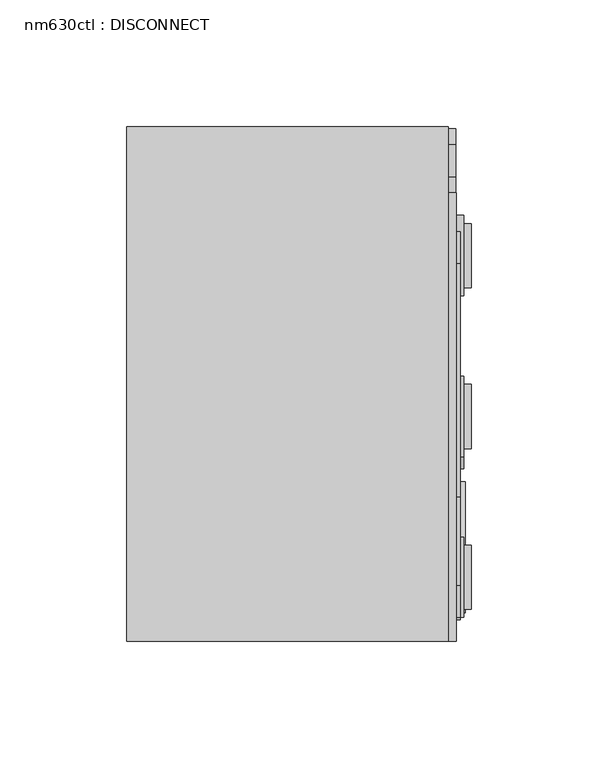
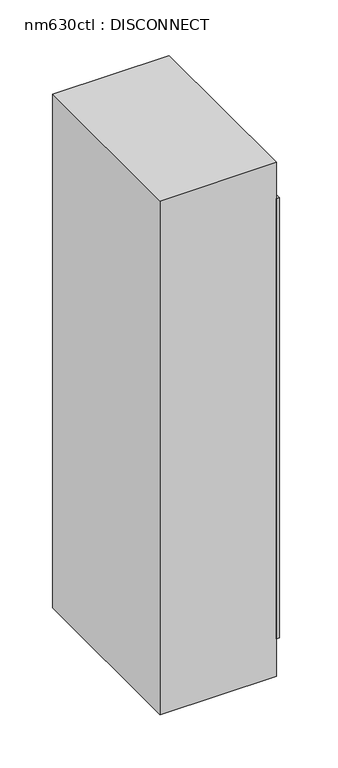
"""IFC4 building model written with IfcOpenShell, lengths in millimetres: proxy geometry, nm630ctl : DISCONNECT."""

from ifc_helpers import new_model, si_unit, point, frame, frame_2d, origin, place, context, project, spatial, polyline, circle_curve, trimmed, segment, composite_curve, outline, extrude, source, transform, mapped, element, save


def nm630ctl_disconnect_73e00d81(model_context):
    return source(origin(), model_context, "Body", "SweptSolid", [
        extrude(outline(composite_curve([segment(trimmed(circle_curve(frame_2d((95.0359845, 1472.4912783)), 6.35), [point((95.0359845, 1478.8412783))], [point((101.3859845, 1472.4912783))], False, "CARTESIAN"), True, "CONTINUOUS"), segment(polyline([(101.3859845, 1472.4912783), (101.3859845, 1434.3912783)]), True, "CONTINUOUS"), segment(trimmed(circle_curve(frame_2d((95.0359845, 1434.3912783)), 6.35), [point((101.3859845, 1434.3912783))], [point((95.0359845, 1428.0412783))], False, "CARTESIAN"), True, "CONTINUOUS"), segment(polyline([(95.0359845, 1428.0412783), (82.3359845, 1428.0412783)]), True, "CONTINUOUS"), segment(trimmed(circle_curve(frame_2d((82.3359845, 1434.3912783)), 6.35), [point((82.3359845, 1428.0412783))], [point((75.9859845, 1434.3912783))], False, "CARTESIAN"), True, "CONTINUOUS"), segment(polyline([(75.9859845, 1434.3912783), (75.9859845, 1472.4912783)]), True, "CONTINUOUS"), segment(trimmed(circle_curve(frame_2d((82.3359845, 1472.4912783)), 6.35), [point((75.9859845, 1472.4912783))], [point((82.3359845, 1478.8412783))], False, "CARTESIAN"), True, "CONTINUOUS"), segment(polyline([(82.3359845, 1478.8412783), (95.0359845, 1478.8412783)]), True, "CONTINUOUS")], self_intersect=False)), frame((117.348, 0.0, 0.0), z_axis=(1.0, 0.0, 0.0), x_axis=(0.0, 1.0, 0.0)), (0.0, 0.0, 1.0), 3.0349721),
        extrude(outline(composite_curve([segment(trimmed(circle_curve(frame_2d((117.7147493, 1240.1952866)), 144.7419511), [point((-19.0639488, 1287.5431498))], [point((-25.9770673, 1257.5991439))], True, "CARTESIAN"), True, "CONTINUOUS"), segment(polyline([(-25.9770673, 1257.5991439), (-18.0058751, 1267.0988408)]), True, "CONTINUOUS"), segment(trimmed(circle_curve(frame_2d((179.4975252, 1201.6111898)), 208.0774509), [point((-18.0058751, 1267.0988408))], [point((-26.7252518, 1229.331071))], True, "CARTESIAN"), True, "CONTINUOUS"), segment(polyline([(-26.7252518, 1229.331071), (-23.6317208, 1228.785598), (-29.5997187, 1222.3857039), (-31.4232983, 1230.1594634), (-28.808585, 1229.6984189)]), True, "CONTINUOUS"), segment(trimmed(circle_curve(frame_2d((111.3225602, 1226.8558251)), 140.1599736), [point((-28.808585, 1229.6984189))], [point((-26.5016803, 1252.3371305))], False, "CARTESIAN"), True, "CONTINUOUS"), segment(polyline([(-26.5016803, 1252.3371305), (-33.001951, 1244.9272152)]), True, "CONTINUOUS"), segment(trimmed(circle_curve(frame_2d((139.4220416, 1245.3854182)), 172.4246014), [point((-33.001951, 1244.9272152))], [point((-27.7693722, 1287.5431498))], False, "CARTESIAN"), True, "CONTINUOUS"), segment(polyline([(-27.7693722, 1287.5431498), (-19.0639488, 1287.5431498)]), True, "CONTINUOUS")], self_intersect=False)), frame((120.523, 0.0, 0.0), z_axis=(1.0, 0.0, 0.0), x_axis=(0.0, 1.0, 0.0)), (0.0, 0.0, 1.0), 3.0349721),
        extrude(outline(polyline([(122.1105, 60.6867601), (122.1105, -40.9132399), (120.523, -40.9132399), (120.523, 60.6867601), (122.1105, 60.6867601)])), frame((0.0, 0.0, 1218.1666269), z_axis=(0.0, 0.0, 1.0), x_axis=(1.0, 0.0, 0.0)), (0.0, 0.0, 1.0), 76.2),
        extrude(outline(polyline([(-89.7371396, 1150.7467846), (-63.9117703, 1195.4776364), (-38.0864009, 1150.7467846), (-89.7371396, 1150.7467846)]), holes=[polyline([(-86.9875089, 1152.3342846), (-40.8360316, 1152.3342846), (-63.9117703, 1192.3026364), (-86.9875089, 1152.3342846)])]), frame((120.523, 0.0, 0.0), z_axis=(1.0, 0.0, 0.0), x_axis=(0.0, 1.0, 0.0)), (0.0, 0.0, 1.0), 3.5043607),
        extrude(outline(composite_curve([segment(trimmed(circle_curve(frame_2d((-63.9117703, 1155.1387676)), 1.4917322), [point((-65.4035025, 1155.1387676))], [point((-62.420038, 1155.1387676))], False, "CARTESIAN"), True, "CONTINUOUS"), segment(trimmed(circle_curve(frame_2d((-63.9117703, 1155.1387676)), 1.4917322), [point((-62.420038, 1155.1387676))], [point((-65.4035025, 1155.1387676))], False, "CARTESIAN"), True, "CONTINUOUS")], self_intersect=False)), frame((120.523, 0.0, 0.0), z_axis=(1.0, 0.0, 0.0), x_axis=(0.0, 1.0, 0.0)), (0.0, 0.0, 1.0), 3.5043607),
        extrude(outline(composite_curve([segment(trimmed(circle_curve(frame_2d((-63.9117703, 1182.6735614)), 2.1742784), [point((-66.0860486, 1182.6735614))], [point((-61.7374919, 1182.6735614))], False, "CARTESIAN"), True, "CONTINUOUS"), segment(polyline([(-61.7374919, 1182.6735614), (-62.9227467, 1160.7801961)]), True, "CONTINUOUS"), segment(trimmed(circle_curve(frame_2d((-63.9117703, 1160.8337394)), 0.9904718), [point((-62.9227467, 1160.7801961))], [point((-64.9007938, 1160.7801961))], False, "CARTESIAN"), True, "CONTINUOUS"), segment(polyline([(-64.9007938, 1160.7801961), (-66.0860486, 1182.6735614)]), True, "CONTINUOUS")], self_intersect=False)), frame((120.523, 0.0, 0.0), z_axis=(1.0, 0.0, 0.0), x_axis=(0.0, 1.0, 0.0)), (0.0, 0.0, 1.0), 3.5043607),
        extrude(outline(polyline([(-63.9117703, 1198.6526364), (-35.3367703, 1149.1592846), (-92.4867703, 1149.1592846), (-63.9117703, 1198.6526364)])), frame((120.523, 0.0, 0.0), z_axis=(1.0, 0.0, 0.0), x_axis=(0.0, 1.0, 0.0)), (0.0, 0.0, 1.0), 1.5875),
        extrude(outline(polyline([(126.4248939, -63.1435414), (126.4248939, -88.5435414), (120.523, -88.5435414), (120.523, -63.1435414), (126.4248939, -63.1435414)])), frame((0.0, 0.0, 1385.9235618), z_axis=(0.0, 0.0, 1.0), x_axis=(1.0, 0.0, 0.0)), (0.0, 0.0, 1.0), 25.4),
        extrude(outline(polyline([(123.5579721, -59.9632399), (123.5579721, -91.7132399), (120.523, -91.7132399), (120.523, -59.9632399), (123.5579721, -59.9632399)])), frame((0.0, 0.0, 1383.2666269), z_axis=(0.0, 0.0, 1.0), x_axis=(1.0, 0.0, 0.0)), (0.0, 0.0, 1.0), 50.8),
        extrude(outline(polyline([(126.4248939, 0.3564586), (126.4248939, -25.0435414), (120.523, -25.0435414), (120.523, 0.3564586), (126.4248939, 0.3564586)])), frame((0.0, 0.0, 1385.9235618), z_axis=(0.0, 0.0, 1.0), x_axis=(1.0, 0.0, 0.0)), (0.0, 0.0, 1.0), 25.4),
        extrude(outline(polyline([(123.5579721, 3.5367601), (123.5579721, -28.2132399), (120.523, -28.2132399), (120.523, 3.5367601), (123.5579721, 3.5367601)])), frame((0.0, 0.0, 1383.2666269), z_axis=(0.0, 0.0, 1.0), x_axis=(1.0, 0.0, 0.0)), (0.0, 0.0, 1.0), 50.8),
        extrude(outline(polyline([(126.4248939, 63.8564586), (126.4248939, 38.4564586), (120.523, 38.4564586), (120.523, 63.8564586), (126.4248939, 63.8564586)])), frame((0.0, 0.0, 1385.9235618), z_axis=(0.0, 0.0, 1.0), x_axis=(1.0, 0.0, 0.0)), (0.0, 0.0, 1.0), 25.4),
        extrude(outline(polyline([(123.5579721, 67.0367601), (123.5579721, 35.2867601), (120.523, 35.2867601), (120.523, 67.0367601), (123.5579721, 67.0367601)])), frame((0.0, 0.0, 1383.2666269), z_axis=(0.0, 0.0, 1.0), x_axis=(1.0, 0.0, 0.0)), (0.0, 0.0, 1.0), 50.8),
        extrude(outline(polyline([(126.4248939, 63.8564586), (126.4248939, 38.4564586), (120.523, 38.4564586), (120.523, 63.8564586), (126.4248939, 63.8564586)])), frame((0.0, 0.0, 1462.1235618), z_axis=(0.0, 0.0, 1.0), x_axis=(1.0, 0.0, 0.0)), (0.0, 0.0, 1.0), 25.4),
        extrude(outline(polyline([(123.5579721, 67.0367601), (123.5579721, 35.2867601), (120.523, 35.2867601), (120.523, 67.0367601), (123.5579721, 67.0367601)])), frame((0.0, 0.0, 1459.4666269), z_axis=(0.0, 0.0, 1.0), x_axis=(1.0, 0.0, 0.0)), (0.0, 0.0, 1.0), 50.8),
        extrude(outline(polyline([(126.4248939, 0.3564586), (126.4248939, -25.0435414), (120.523, -25.0435414), (120.523, 0.3564586), (126.4248939, 0.3564586)])), frame((0.0, 0.0, 1462.1235618), z_axis=(0.0, 0.0, 1.0), x_axis=(1.0, 0.0, 0.0)), (0.0, 0.0, 1.0), 25.4),
        extrude(outline(polyline([(123.5579721, 3.5367601), (123.5579721, -28.2132399), (120.523, -28.2132399), (120.523, 3.5367601), (123.5579721, 3.5367601)])), frame((0.0, 0.0, 1459.4666269), z_axis=(0.0, 0.0, 1.0), x_axis=(1.0, 0.0, 0.0)), (0.0, 0.0, 1.0), 50.8),
        extrude(outline(polyline([(126.4248939, -63.1435414), (126.4248939, -88.5435414), (120.523, -88.5435414), (120.523, -63.1435414), (126.4248939, -63.1435414)])), frame((0.0, 0.0, 1462.1235618), z_axis=(0.0, 0.0, 1.0), x_axis=(1.0, 0.0, 0.0)), (0.0, 0.0, 1.0), 25.4),
        extrude(outline(polyline([(123.5579721, -59.9632399), (123.5579721, -91.7132399), (120.523, -91.7132399), (120.523, -59.9632399), (123.5579721, -59.9632399)])), frame((0.0, 0.0, 1459.4666269), z_axis=(0.0, 0.0, 1.0), x_axis=(1.0, 0.0, 0.0)), (0.0, 0.0, 1.0), 50.8),
        extrude(outline(composite_curve([segment(polyline([(-44.0882399, 1589.6416269), (-44.0882399, 1640.4416269), (47.9867601, 1640.4416269)]), True, "CONTINUOUS"), segment(trimmed(circle_curve(frame_2d((47.9867601, 1627.7416269)), 12.7), [point((47.9867601, 1640.4416269))], [point((60.6867601, 1627.7416269))], False, "CARTESIAN"), True, "CONTINUOUS"), segment(polyline([(60.6867601, 1627.7416269), (60.6867601, 1602.3416269)]), True, "CONTINUOUS"), segment(trimmed(circle_curve(frame_2d((47.9867601, 1602.3416269)), 12.7), [point((60.6867601, 1602.3416269))], [point((47.9867601, 1589.6416269))], False, "CARTESIAN"), True, "CONTINUOUS"), segment(polyline([(47.9867601, 1589.6416269), (-44.0882399, 1589.6416269)]), True, "CONTINUOUS")], self_intersect=False)), frame((120.523, 0.0, 0.0), z_axis=(1.0, 0.0, 0.0), x_axis=(0.0, 1.0, 0.0)), (0.0, 0.0, 1.0), 1.5875),
        extrude(outline(composite_curve([segment(polyline([(-44.0882399, 1589.6416269), (-79.0132399, 1589.6416269)]), True, "CONTINUOUS"), segment(trimmed(circle_curve(frame_2d((-79.0132399, 1602.3416269)), 12.7), [point((-79.0132399, 1589.6416269))], [point((-91.7132399, 1602.3416269))], False, "CARTESIAN"), True, "CONTINUOUS"), segment(polyline([(-91.7132399, 1602.3416269), (-91.7132399, 1627.7416269)]), True, "CONTINUOUS"), segment(trimmed(circle_curve(frame_2d((-79.0132399, 1627.7416269)), 12.7), [point((-91.7132399, 1627.7416269))], [point((-79.0132399, 1640.4416269))], False, "CARTESIAN"), True, "CONTINUOUS"), segment(polyline([(-79.0132399, 1640.4416269), (-44.0882399, 1640.4416269), (-44.0882399, 1589.6416269)]), True, "CONTINUOUS")], self_intersect=False)), frame((120.523, 0.0, 0.0), z_axis=(1.0, 0.0, 0.0), x_axis=(0.0, 1.0, 0.0)), (0.0, 0.0, 1.0), 1.5875),
        extrude(outline(polyline([(120.523, 75.9343596), (120.523, -101.0986765), (117.348, -101.0986765), (117.348, 75.9343596), (120.523, 75.9343596)])), frame((0.0, 0.0, 1143.0), z_axis=(0.0, 0.0, 1.0), x_axis=(1.0, 0.0, 0.0)), (0.0, 0.0, 1.0), 508.0),
        extrude(outline(polyline([(117.348, -101.0986765), (-9.652, -101.0986765), (-9.652, 102.1013235), (117.348, 102.1013235), (117.348, -101.0986765)])), frame((0.0, 0.0, 1099.9383135), z_axis=(0.0, 0.0, 1.0), x_axis=(1.0, 0.0, 0.0)), (0.0, 0.0, 1.0), 593.09),
    ])


if __name__ == "__main__":
    model = new_model("IFC4")
    model_context = context("Model", 3, world=origin())
    ifc_project = project(units=[si_unit("LENGTHUNIT", "METRE", prefix="MILLI")], contexts=[model_context])
    site = spatial("IfcSite", under=ifc_project)
    building = spatial("IfcBuilding", under=site)
    placement = place(None, origin())
    nm630ctl_disconnect_shape = nm630ctl_disconnect_73e00d81(model_context)
    element("IfcBuildingElementProxy", 1, Name="nm630ctl : DISCONNECT", ObjectType="nm630ctl : DISCONNECT", at=placement, inside=building, context=model_context, shape_type="MappedRepresentation", body=[
        mapped(nm630ctl_disconnect_shape, transform((0.0, 0.0, 0.0), x_axis=(1.0, 0.0, 0.0), y_axis=(0.0, 1.0, 0.0), z_axis=(0.0, 0.0, 1.0))),
    ])
    save(model, "model.ifc")
